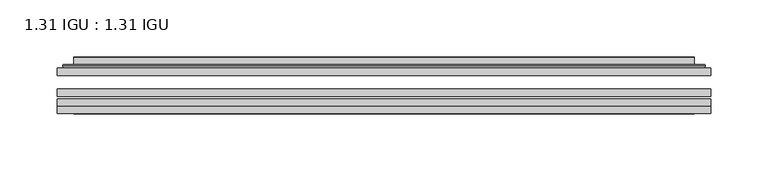
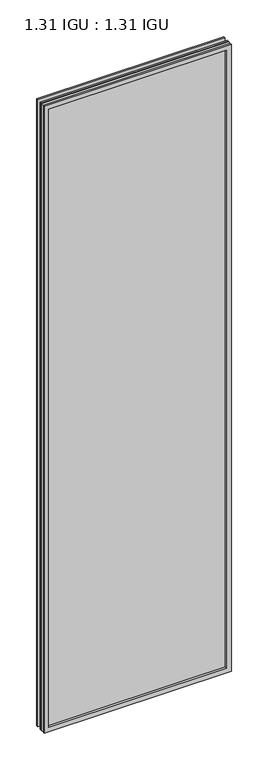
"""IFC4 building model written with IfcOpenShell, lengths in millimetres: plate geometry, 1.31 IGU : 1.31 IGU."""

from ifc_helpers import new_model, si_unit, frame, origin, place, context, project, spatial, polyline, ellipse_curve, outline, extrude, faceted_brep, source, transform, mapped, element, save
from ifc_brep_helpers import plane_surface, cylinder_surface, advanced_brep


def plate_1_31_igu_1_31_igu_922e0a7b(model_context):
    return source(origin(), model_context, "Body", "SolidModel", [
        extrude(outline(polyline([(285.764175, -63.2975937), (285.764175, -69.6475938), (-285.75, -69.6475938), (-285.75, -63.2975937), (285.764175, -63.2975937)])), frame((0.0, 0.0, -14.2875), z_axis=(0.0, 0.0, 1.0), x_axis=(1.0, 0.0, 0.0)), (0.0, 0.0, 1.0), 2022.4787979),
        extrude(outline(polyline([(-285.75, -78.2835938), (-285.75, -71.9330887), (285.764175, -71.9330887), (285.764175, -78.2835938), (-285.75, -78.2835938)])), frame((0.0, 0.0, -14.2875), z_axis=(0.0, 0.0, 1.0), x_axis=(1.0, 0.0, 0.0)), (0.0, 0.0, 1.0), 2022.4787979),
        extrude(outline(polyline([(285.764175, -44.9587937), (285.764175, -51.3087938), (-285.75, -51.3087938), (-285.75, -44.9587937), (285.764175, -44.9587937)])), frame((0.0, 0.0, -14.2875), z_axis=(0.0, 0.0, 1.0), x_axis=(1.0, 0.0, 0.0)), (0.0, 0.0, 1.0), 2022.4787979),
        faceted_brep([(-285.7627, -84.6335937, 2008.2002), (-285.7627, -78.2835937, 2008.2002), (-285.7627, -78.2835937, -14.3002), (-285.7627, -84.6335937, -14.3002), (285.7627, -78.2835937, -14.3002), (285.7627, -84.6335937, -14.3002), (285.7627, -78.2835937, 2008.2002), (285.7627, -84.6335937, 2008.2002), (-270.5647559, -78.2835937, 0.8977441), (270.5647559, -78.2835937, 0.8977441), (270.5647559, -78.2835937, 1993.0022559), (-270.5647559, -78.2835937, 1993.0022559), (-271.4571902, -84.6335937, 1993.8946902), (271.4571902, -84.6335937, 1993.8946902), (271.4571902, -84.6335937, 0.0053098), (-271.4571902, -84.6335937, 0.0053098)], [[[0, 1, 2, 3]], [[3, 2, 4, 5]], [[5, 4, 6, 7]], [[1, 6, 4, 2], [8, 9, 10, 11]], [[7, 6, 1, 0]], [[3, 5, 7, 0], [12, 13, 14, 15]], [[11, 12, 15, 8]], [[8, 15, 14, 9]], [[9, 14, 13, 10]], [[10, 13, 12, 11]]]),
        advanced_brep(
        [(-278.508719, -44.9587937, 2000.946219), (-280.8629244, -42.9691271, 2003.3004244), (-280.8629244, -42.9691271, -9.4004244), (-278.508719, -44.9587937, -7.046219), (-269.4343939, -41.1187568, 1991.8718939), (-264.4995621, -44.9587937, 1986.9370621), (-264.4995621, -44.9587937, 6.9629379), (-269.4343939, -41.1187568, 2.0281061), (-270.4664217, -35.7215256, 1992.9039217), (-270.4664217, -35.7215256, 0.9960783), (-271.4570784, -35.3225507, 1993.8945784), (-271.4570784, -35.3225507, 0.0054216), (-271.4570784, -41.7837937, 1993.8945784), (-271.4570784, -41.7837937, 0.0054216), (-279.8611349, -41.7837937, 2002.2986349), (-279.8611349, -41.7837937, -8.3986349), (280.8629244, -42.9691271, -9.4004244), (278.508719, -44.9587937, -7.046219), (264.4995621, -44.9587937, 6.9629379), (269.4343939, -41.1187568, 2.0281061), (270.4664217, -35.7215256, 0.9960783), (271.4570784, -35.3225507, 0.0054216), (271.4570784, -41.7837937, 0.0054216), (279.8611349, -41.7837937, -8.3986349), (280.8629244, -42.9691271, 2003.3004244), (278.508719, -44.9587937, 2000.946219), (264.4995621, -44.9587937, 1986.9370621), (269.4343939, -41.1187568, 1991.8718939), (270.4664217, -35.7215256, 1992.9039217), (271.4570784, -35.3225507, 1993.8945784), (271.4570784, -41.7837937, 1993.8945784), (279.8611349, -41.7837937, 2002.2986349)],
        [
            (0, 1, ellipse_curve(frame((-278.508719, -42.5711937, 2000.946219), z_axis=(-0.7071067811865475, 0.0, -0.7071067811865475), x_axis=(-0.7071067811865474, 0.0, 0.7071067811865476)), 3.3765763, 2.3876)),
            (1, 2),
            (2, 3, ellipse_curve(frame((-278.508719, -42.5711937, -7.046219), z_axis=(-0.7071067811865475, 0.0, 0.7071067811865475), x_axis=(0.7071067811865474, 0.0, 0.7071067811865476)), 3.3765763, 2.3876)),
            (3, 0),
            (4, 5),
            (5, 6),
            (6, 7),
            (7, 4),
            (8, 4),
            (7, 9),
            (9, 8),
            (10, 8, ellipse_curve(frame((-271.0901219, -35.840786, 1993.5276219), z_axis=(-0.7071067811865475, 0.0, -0.7071067811865475), x_axis=(-0.7071067811865474, 0.0, 0.7071067811865476)), 0.8980256, 0.635)),
            (9, 11, ellipse_curve(frame((-271.0901219, -35.840786, 0.3723781), z_axis=(-0.7071067811865475, 0.0, 0.7071067811865475), x_axis=(0.7071067811865474, 0.0, 0.7071067811865476)), 0.8980256, 0.635)),
            (11, 10),
            (12, 10),
            (11, 13),
            (13, 12),
            (1, 14, ellipse_curve(frame((-279.8611349, -42.7997937, 2002.2986349), z_axis=(-0.7071067811865475, 0.0, -0.7071067811865475), x_axis=(-0.7071067811865474, 0.0, 0.7071067811865476)), 1.436841, 1.016)),
            (14, 15),
            (15, 2, ellipse_curve(frame((-279.8611349, -42.7997937, -8.3986349), z_axis=(-0.7071067811865475, 0.0, 0.7071067811865475), x_axis=(0.7071067811865474, 0.0, 0.7071067811865476)), 1.436841, 1.016)),
            (2, 16),
            (16, 17, ellipse_curve(frame((278.508719, -42.5711937, -7.046219), z_axis=(-0.7071067811865475, 0.0, -0.7071067811865475), x_axis=(-0.7071067811865476, 0.0, 0.7071067811865474)), 3.3765763, 2.3876)),
            (17, 3),
            (6, 18),
            (18, 19),
            (19, 7),
            (19, 20),
            (20, 9),
            (20, 21, ellipse_curve(frame((271.0901219, -35.840786, 0.3723781), z_axis=(-0.7071067811865475, 0.0, -0.7071067811865475), x_axis=(-0.7071067811865476, 0.0, 0.7071067811865474)), 0.8980256, 0.635)),
            (21, 11),
            (21, 22),
            (22, 13),
            (15, 23),
            (23, 16, ellipse_curve(frame((279.8611349, -42.7997937, -8.3986349), z_axis=(-0.7071067811865475, 0.0, -0.7071067811865475), x_axis=(-0.7071067811865476, 0.0, 0.7071067811865474)), 1.436841, 1.016)),
            (16, 24),
            (24, 25, ellipse_curve(frame((278.508719, -42.5711937, 2000.946219), z_axis=(0.7071067811865475, 0.0, -0.7071067811865475), x_axis=(-0.7071067811865474, 0.0, -0.7071067811865476)), 3.3765763, 2.3876)),
            (25, 17),
            (18, 26),
            (26, 27),
            (27, 19),
            (27, 28),
            (28, 20),
            (28, 29, ellipse_curve(frame((271.0901219, -35.840786, 1993.5276219), z_axis=(0.7071067811865475, 0.0, -0.7071067811865475), x_axis=(-0.7071067811865474, 0.0, -0.7071067811865476)), 0.8980256, 0.635)),
            (29, 21),
            (29, 30),
            (30, 22),
            (23, 31),
            (31, 24, ellipse_curve(frame((279.8611349, -42.7997937, 2002.2986349), z_axis=(0.7071067811865475, 0.0, -0.7071067811865475), x_axis=(-0.7071067811865474, 0.0, -0.7071067811865476)), 1.436841, 1.016)),
            (24, 1),
            (0, 25),
            (5, 26),
            (4, 27),
            (8, 28),
            (10, 29),
            (12, 30),
            (14, 31),
        ],
        [
            cylinder_surface(frame((-278.508719, -42.5711937, 2025.65), z_axis=(0.0, 0.0, 1.0), x_axis=(-1.0, 0.0, 0.0)), 2.3876),
            plane_surface(frame((-264.4995621, -44.9587937, 1986.9370621), z_axis=(0.6141233906514794, 0.7892100234124821, 0.0), x_axis=(0.0, 0.0, -1.0))),
            plane_surface(frame((-269.4343939, -41.1187568, 1991.8718939), z_axis=(0.9822050625507729, 0.18781164793386074, 0.0), x_axis=(0.0, 0.0, -1.0))),
            cylinder_surface(frame((-271.0901219, -35.840786, 2025.65), z_axis=(0.0, 0.0, 1.0), x_axis=(-1.0, 0.0, 0.0)), 0.635),
            plane_surface(frame((-271.4570784, -35.3225507, 1993.8945784), z_axis=(-1.0, 0.0, 0.0), x_axis=(0.0, 0.0, -1.0))),
            cylinder_surface(frame((-279.8611349, -42.7997937, 2025.65), z_axis=(0.0, 0.0, 1.0), x_axis=(-1.0, 0.0, 0.0)), 1.016),
            cylinder_surface(frame((-303.2125, -42.5711937, -7.046219), z_axis=(-1.0, 0.0, 0.0), x_axis=(0.0, 0.0, -1.0)), 2.3876),
            plane_surface(frame((-264.4995621, -44.9587937, 6.9629379), z_axis=(0.0, 0.7892100234124841, 0.6141233906514768), x_axis=(1.0, 0.0, 0.0))),
            plane_surface(frame((-269.4343939, -41.1187568, 2.0281061), z_axis=(0.0, 0.18781164793386393, 0.9822050625507723), x_axis=(1.0, 0.0, 0.0))),
            cylinder_surface(frame((-303.2125, -35.840786, 0.3723781), z_axis=(-1.0, 0.0, 0.0), x_axis=(0.0, 0.0, -1.0)), 0.635),
            plane_surface(frame((-271.4570784, -35.3225507, 0.0054216), z_axis=(0.0, 0.0, -1.0), x_axis=(1.0, 0.0, 0.0))),
            cylinder_surface(frame((-303.2125, -42.7997937, -8.3986349), z_axis=(-1.0, 0.0, 0.0), x_axis=(0.0, 0.0, -1.0)), 1.016),
            cylinder_surface(frame((278.508719, -42.5711937, -31.75), z_axis=(0.0, 0.0, -1.0), x_axis=(1.0, 0.0, 0.0)), 2.3876),
            plane_surface(frame((264.4995621, -44.9587937, 6.9629379), z_axis=(-0.6141233906514743, 0.7892100234124861, 0.0), x_axis=(0.0, 0.0, 1.0))),
            plane_surface(frame((269.4343939, -41.1187568, 2.0281061), z_axis=(-0.9822050625507718, 0.18781164793386712, 0.0), x_axis=(0.0, 0.0, 1.0))),
            cylinder_surface(frame((271.0901219, -35.840786, -31.75), z_axis=(0.0, 0.0, -1.0), x_axis=(1.0, 0.0, 0.0)), 0.635),
            plane_surface(frame((271.4570784, -35.3225507, 0.0054216), z_axis=(1.0, 0.0, 0.0), x_axis=(0.0, 0.0, 1.0))),
            cylinder_surface(frame((279.8611349, -42.7997937, -31.75), z_axis=(0.0, 0.0, -1.0), x_axis=(1.0, 0.0, 0.0)), 1.016),
            cylinder_surface(frame((303.2125, -42.5711937, 2000.946219), z_axis=(1.0, 0.0, 0.0), x_axis=(0.0, 0.0, 1.0)), 2.3876),
            plane_surface(frame((278.508719, -44.9587937, 2000.946219), z_axis=(0.0, -1.0, 0.0), x_axis=(-1.0, 0.0, 0.0))),
            plane_surface(frame((264.4995621, -44.9587937, 1986.9370621), z_axis=(0.0, 0.7892100234124841, -0.6141233906514768), x_axis=(-1.0, 0.0, 0.0))),
            plane_surface(frame((269.4343939, -41.1187568, 1991.8718939), z_axis=(0.0, 0.18781164793386393, -0.9822050625507723), x_axis=(-1.0, 0.0, 0.0))),
            cylinder_surface(frame((303.2125, -35.840786, 1993.5276219), z_axis=(1.0, 0.0, 0.0), x_axis=(0.0, 0.0, 1.0)), 0.635),
            plane_surface(frame((271.4570784, -35.3225507, 1993.8945784), z_axis=(0.0, 0.0, 1.0), x_axis=(-1.0, 0.0, 0.0))),
            plane_surface(frame((271.4570784, -41.7837937, 1993.8945784), z_axis=(0.0, 1.0, 0.0), x_axis=(-1.0, 0.0, 0.0))),
            cylinder_surface(frame((303.2125, -42.7997937, 2002.2986349), z_axis=(1.0, 0.0, 0.0), x_axis=(0.0, 0.0, 1.0)), 1.016),
        ],
        [
            (0, [[1, 2, 3, 4]]),
            (1, [[5, 6, 7, 8]]),
            (2, [[9, -8, 10, 11]]),
            (3, [[12, -11, 13, 14]]),
            (4, [[15, -14, 16, 17]]),
            (5, [[18, 19, 20, -2]]),
            (6, [[-3, 21, 22, 23]]),
            (7, [[-7, 24, 25, 26]]),
            (8, [[-10, -26, 27, 28]]),
            (9, [[-13, -28, 29, 30]]),
            (10, [[-16, -30, 31, 32]]),
            (11, [[-20, 33, 34, -21]]),
            (12, [[-22, 35, 36, 37]]),
            (13, [[-25, 38, 39, 40]]),
            (14, [[-27, -40, 41, 42]]),
            (15, [[-29, -42, 43, 44]]),
            (16, [[-31, -44, 45, 46]]),
            (17, [[-34, 47, 48, -35]]),
            (18, [[-36, 49, -1, 50]]),
            (19, [[-23, -37, -50, -4], [51, -38, -24, -6]]),
            (20, [[-39, -51, -5, 52]]),
            (21, [[-41, -52, -9, 53]]),
            (22, [[-43, -53, -12, 54]]),
            (23, [[-45, -54, -15, 55]]),
            (24, [[56, -47, -33, -19], [-32, -46, -55, -17]]),
            (25, [[-48, -56, -18, -49]]),
        ],
    ),
    ])


if __name__ == "__main__":
    model = new_model("IFC4")
    model_context = context("Model", 3, world=origin())
    ifc_project = project(units=[si_unit("LENGTHUNIT", "METRE", prefix="MILLI")], contexts=[model_context])
    site = spatial("IfcSite", under=ifc_project)
    building = spatial("IfcBuilding", under=site)
    placement = place(None, origin())
    plate_1_31_igu_1_31_igu_shape = plate_1_31_igu_1_31_igu_922e0a7b(model_context)
    element("IfcPlate", 1, ObjectType="1.31 IGU : 1.31 IGU", at=placement, inside=building, context=model_context, shape_type="MappedRepresentation", body=[
        mapped(plate_1_31_igu_1_31_igu_shape, transform((0.0, 0.0, 0.0), x_axis=(1.0, 0.0, 0.0), y_axis=(0.0, 1.0, 0.0), z_axis=(0.0, 0.0, 1.0))),
    ])
    save(model, "model.ifc")
